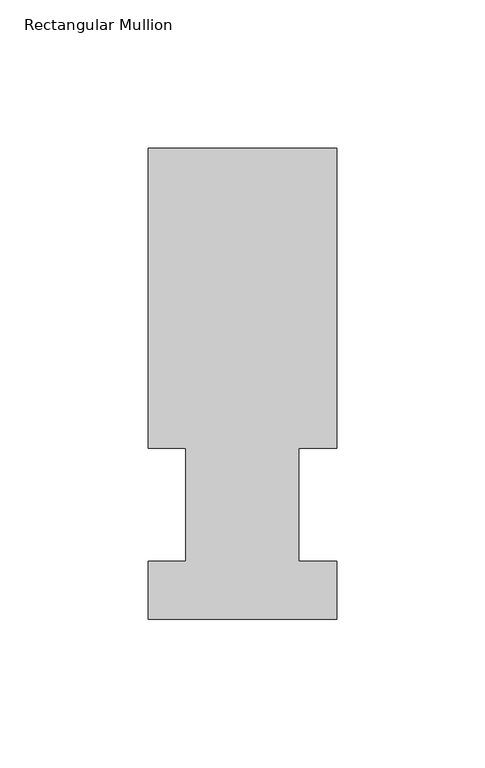
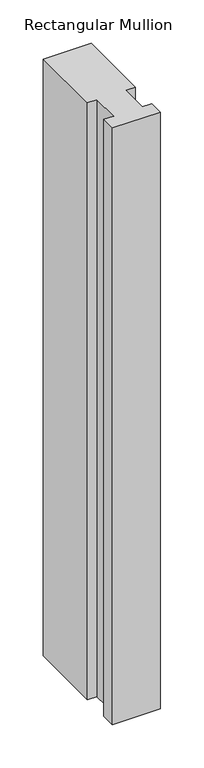
"""IFC4 building model written with IfcOpenShell, lengths in millimetres: member geometry, Rectangular Mullion."""

from ifc_helpers import new_model, si_unit, frame, origin, place, context, project, spatial, polyline, outline, extrude, source, transform, mapped, element, save


def rectangular_mullion_26d889f5(model_context):
    return source(origin(), model_context, "Body", "SweptSolid", [
        extrude(outline(polyline([(-31.75, 57.6460938), (-31.75, 158.8396937), (31.75, 158.8396937), (31.75, 57.6460937), (19.05, 57.6460937), (19.05, 19.5460937), (31.75, 19.5460937), (31.75, 0.0134938), (-31.75, 0.0134938), (-31.75, 19.5460937), (-19.05, 19.5460937), (-19.05, 57.6460937), (-31.75, 57.6460938)])), frame((0.0, 0.0, -838.2), z_axis=(0.0, 0.0, 1.0), x_axis=(1.0, 0.0, 0.0)), (0.0, 0.0, 1.0), 838.2),
    ])


if __name__ == "__main__":
    model = new_model("IFC4")
    model_context = context("Model", 3, world=origin())
    ifc_project = project(units=[si_unit("LENGTHUNIT", "METRE", prefix="MILLI")], contexts=[model_context])
    site = spatial("IfcSite", under=ifc_project)
    building = spatial("IfcBuilding", under=site)
    placement = place(None, origin())
    rectangular_mullion_shape = rectangular_mullion_26d889f5(model_context)
    element("IfcMember", 1, ObjectType="Rectangular Mullion", at=placement, inside=building, context=model_context, shape_type="MappedRepresentation", body=[
        mapped(rectangular_mullion_shape, transform((0.0, 0.0, 0.0), x_axis=(1.0, 0.0, 0.0), y_axis=(0.0, 1.0, 0.0), z_axis=(0.0, 0.0, 1.0))),
    ])
    save(model, "model.ifc")
